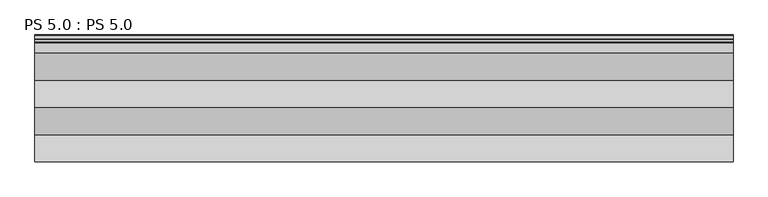
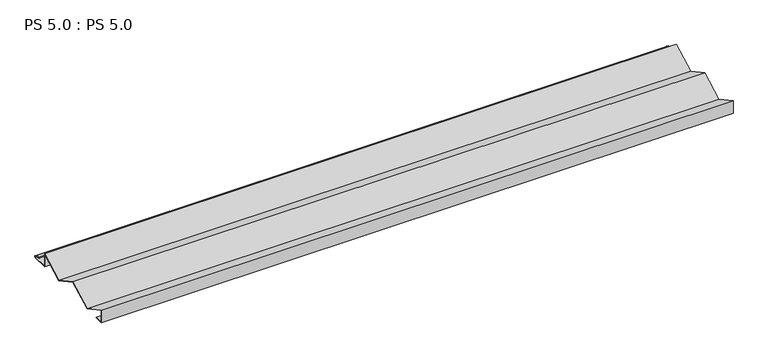
"""IFC4 building model written with IfcOpenShell, lengths in millimetres: proxy geometry, PS 5.0 : PS 5.0."""

from ifc_helpers import new_model, si_unit, point, frame, frame_2d, origin, place, context, project, spatial, polyline, circle_curve, trimmed, segment, composite_curve, outline, extrude, source, transform, mapped, element, save


def ps_5_0_ps_5_0_3cc2b947(model_context):
    return source(origin(), model_context, "Body", "SweptSolid", [
        extrude(outline(composite_curve([segment(polyline([(25.0, 0.0), (0.0, 0.0), (0.0, 38.0), (70.0, 0.0), (140.0, 38.0), (209.9983223, 0.0), (279.9966446, 38.0), (279.9966446, 0.0), (325.0510156, 0.0)]), True, "CONTINUOUS"), segment(trimmed(circle_curve(frame_2d((324.3094696, 1.9153551)), 2.0538928), [point((325.0510156, 0.0))], [point((325.1748462, 3.778041))], True, "CARTESIAN"), True, "CONTINUOUS"), segment(polyline([(325.1748462, 3.778041), (308.7874714, 6.923107)]), True, "CONTINUOUS"), segment(trimmed(circle_curve(frame_2d((309.4078886, 8.6005442)), 1.7884947), [point((308.7874714, 6.923107))], [point((308.9525789, 10.3301125))], False, "CARTESIAN"), True, "CONTINUOUS"), segment(polyline([(308.9525789, 10.3301125), (316.459338, 11.6715995), (316.635255, 10.6871945), (309.1762081, 9.3542338)]), True, "CONTINUOUS"), segment(trimmed(circle_curve(frame_2d((309.4078886, 8.6005442)), 0.7884947), [point((309.1762081, 9.3542338))], [point((309.0735117, 7.8864603))], True, "CARTESIAN"), True, "CONTINUOUS"), segment(polyline([(309.0735117, 7.8864603), (325.4722719, 4.7392091)]), True, "CONTINUOUS"), segment(trimmed(circle_curve(frame_2d((324.3094696, 1.9153551)), 3.0538928), [point((325.4722719, 4.7392091))], [point((325.2188462, -1.0))], False, "CARTESIAN"), True, "CONTINUOUS"), segment(polyline([(325.2188462, -1.0), (278.9966446, -1.0), (278.9966446, 36.3192775), (209.9983223, -1.1378524), (139.9999943, 36.8621507), (70.0, -1.1378462), (1.0, 36.3192967), (1.0, 1.0), (25.0, 1.0), (25.0, 0.0)]), True, "CONTINUOUS")], self_intersect=False)), frame((0.0, 0.0, 0.0), z_axis=(1.0, 0.0, 0.0), x_axis=(0.0, 1.0, 0.0)), (0.0, 0.0, 1.0), 1800.0),
    ])


if __name__ == "__main__":
    model = new_model("IFC4")
    model_context = context("Model", 3, world=origin())
    ifc_project = project(units=[si_unit("LENGTHUNIT", "METRE", prefix="MILLI")], contexts=[model_context])
    site = spatial("IfcSite", under=ifc_project)
    building = spatial("IfcBuilding", under=site)
    placement = place(None, origin())
    ps_5_0_ps_5_0_shape = ps_5_0_ps_5_0_3cc2b947(model_context)
    element("IfcBuildingElementProxy", 1, Name="PS 5.0 : PS 5.0", ObjectType="PS 5.0 : PS 5.0", at=placement, inside=building, context=model_context, shape_type="MappedRepresentation", body=[
        mapped(ps_5_0_ps_5_0_shape, transform((0.0, 0.0, 0.0), x_axis=(1.0, 0.0, 0.0), y_axis=(0.0, 1.0, 0.0), z_axis=(0.0, 0.0, 1.0))),
    ])
    save(model, "model.ifc")
